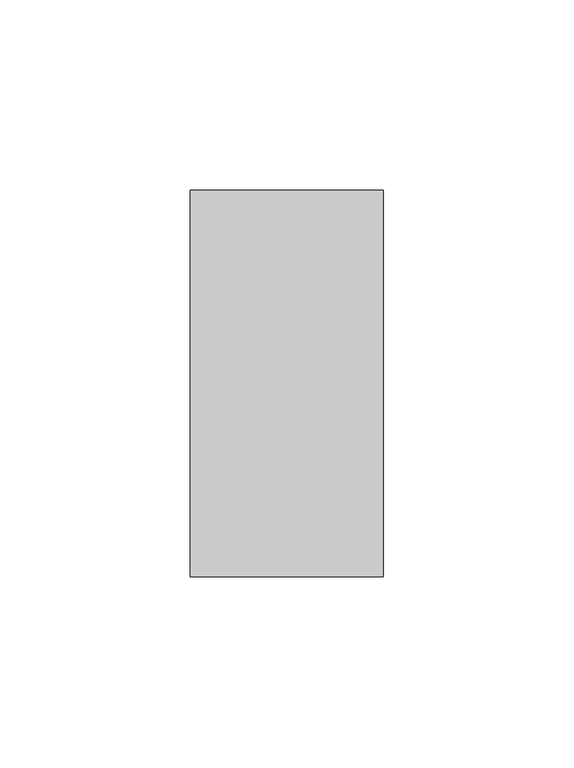
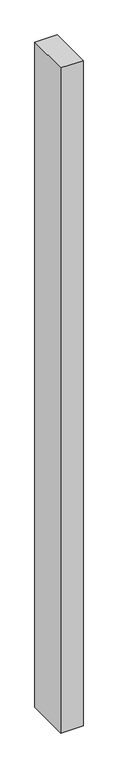
"""IFC4 building model written with IfcOpenShell, lengths in millimetres: proxy geometry."""

from ifc_helpers import new_model, si_unit, origin, origin_with_axes, place, context, project, spatial, polyline, outline, extrude, source, transform, mapped, element, save


def generic_models_7101d6f4(model_context):
    return source(origin(), model_context, "Body", "SweptSolid", [
        extrude(outline(polyline([(50.8, 0.0), (0.0, 0.0), (0.0, 101.6), (50.8, 101.6), (50.8, 0.0)])), origin_with_axes(), (0.0, 0.0, 1.0), 1600.0),
    ])


if __name__ == "__main__":
    model = new_model("IFC4")
    model_context = context("Model", 3, world=origin())
    ifc_project = project(units=[si_unit("LENGTHUNIT", "METRE", prefix="MILLI")], contexts=[model_context])
    site = spatial("IfcSite", under=ifc_project)
    building = spatial("IfcBuilding", under=site)
    placement = place(None, origin())
    generic_models_shape = generic_models_7101d6f4(model_context)
    element("IfcBuildingElementProxy", 1, Name="Generic Models", at=placement, inside=building, context=model_context, shape_type="MappedRepresentation", body=[
        mapped(generic_models_shape, transform((0.0, 0.0, 0.0), x_axis=(1.0, 0.0, 0.0), y_axis=(0.0, 1.0, 0.0), z_axis=(0.0, 0.0, 1.0))),
    ])
    save(model, "model.ifc")
